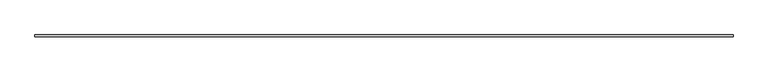
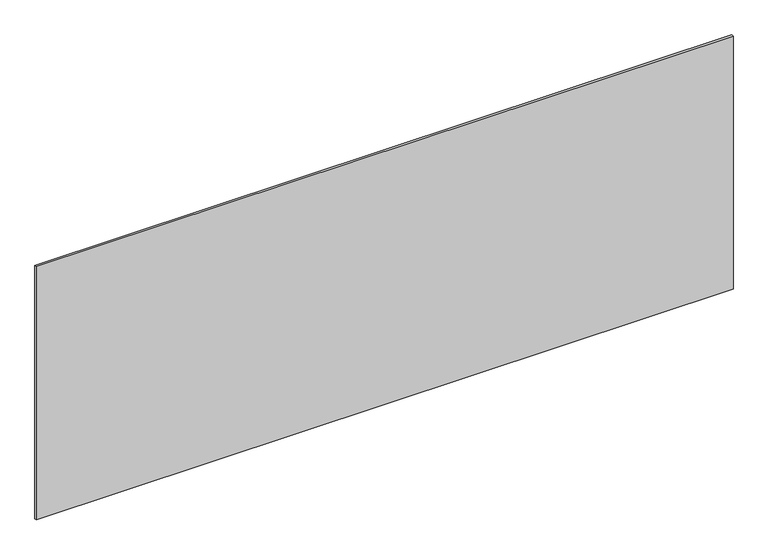
"""IFC4 building model written with IfcOpenShell, lengths in millimetres: plate geometry."""

import ifcopenshell
import ifcopenshell.guid

model = None  # the IFC model being written
_history = None  # IfcOwnerHistory: only IFC2X3 demands one
_inside = {}  # id of a spatial element -> (the spatial element, [elements in it])
_under = {}  # id of a project, library or spatial element -> (it, [spatial elements below it])
_declared = {}  # id of a project -> (the project, [libraries it declares])
_typed = {}  # id of a type object -> (the type object, [elements of that type])
_made_of = {}  # id of a material, layer set ... -> (it, [elements and type objects made of it])


def new_model(schema):
    """Start an empty IFC model of exactly this schema.

    Asked for "IFC4X3", IfcOpenShell would pick the latest addendum, in which some entities
    have other attributes; the version numbers below select the first issue.
    IFC2X3 requires an IfcOwnerHistory on every rooted entity: one is made here for all.
    """
    global model, _history
    if schema == "IFC4X3":
        model = ifcopenshell.file(schema_version=(4, 3, 0, 0))
    else:
        model = ifcopenshell.file(schema=schema)
    _inside.clear()
    _under.clear()
    _declared.clear()
    _typed.clear()
    _made_of.clear()
    _history = None
    if model.schema == "IFC2X3":
        org = make("IfcOrganization", Name="unknown")
        user = make(
            "IfcPersonAndOrganization",
            ThePerson=make("IfcPerson", FamilyName="unknown"),
            TheOrganization=org,
        )
        app = make(
            "IfcApplication",
            ApplicationDeveloper=org,
            Version="unknown",
            ApplicationFullName="unknown",
            ApplicationIdentifier="unknown",
        )
        _history = make(
            "IfcOwnerHistory",
            OwningUser=user,
            OwningApplication=app,
            ChangeAction="ADDED",
            CreationDate=0,
        )
    return model


def make(cls, **values):
    """One entity of the class cls with the attributes given. An attribute that is None is left unset."""
    return model.create_entity(
        cls, **{name: value for name, value in values.items() if value is not None}
    )


def rooted(cls, **values):
    """An entity with a GlobalId (a new one), such as an element, a storey or a relation."""
    return make(cls, GlobalId=ifcopenshell.guid.new(), OwnerHistory=_history, **values)


def si_unit(unit_type, name, prefix=None):
    """IfcSIUnit, for example si_unit("LENGTHUNIT", "METRE", prefix="MILLI")."""
    return make("IfcSIUnit", UnitType=unit_type, Prefix=prefix, Name=name)


def assignment(units):
    """IfcUnitAssignment: the units of a project."""
    return None if units is None else make("IfcUnitAssignment", Units=units)


def point(xyz):
    """IfcCartesianPoint."""
    return None if xyz is None else make("IfcCartesianPoint", Coordinates=xyz)


def direction(xyz):
    """IfcDirection."""
    return None if xyz is None else make("IfcDirection", DirectionRatios=xyz)


def frame(location, z_axis=None, x_axis=None):
    """IfcAxis2Placement3D, a coordinate frame: its origin and axes. An axis left out is left unset."""
    return make(
        "IfcAxis2Placement3D",
        Location=point(location),
        Axis=direction(z_axis),
        RefDirection=direction(x_axis),
    )


def origin():
    """The frame at (0, 0, 0) with its axes left unset."""
    return frame((0.0, 0.0, 0.0))


def origin_with_axes():
    """The frame at (0, 0, 0) with the z axis (0, 0, 1) and the x axis (1, 0, 0) written out."""
    return frame((0.0, 0.0, 0.0), z_axis=(0.0, 0.0, 1.0), x_axis=(1.0, 0.0, 0.0))


def place(relative_to, where):
    """IfcLocalPlacement: puts the frame where relative to a parent placement (None: the world)."""
    return make(
        "IfcLocalPlacement", PlacementRelTo=relative_to, RelativePlacement=where
    )


def context(
    kind, dimensions, precision=None, world=None, true_north=None, identifier=None
):
    """IfcGeometricRepresentationContext, for example the 3D "Model" context."""
    return make(
        "IfcGeometricRepresentationContext",
        ContextIdentifier=identifier,
        ContextType=kind,
        CoordinateSpaceDimension=dimensions,
        Precision=precision,
        WorldCoordinateSystem=world,
        TrueNorth=true_north,
    )


def project(units=None, contexts=None):
    """IfcProject with its units and contexts."""
    return rooted(
        "IfcProject",
        Name="project",
        RepresentationContexts=contexts,
        UnitsInContext=assignment(units),
    )


def spatial(cls, under=None, at=None, **own):
    """A site, building, storey or space (cls), placed at a placement, below another one or the project."""
    s = rooted(cls, ObjectPlacement=at, **own)
    if under is not None:
        _under.setdefault(under.id(), (under, []))[1].append(s)
    return s


def polyline(points):
    """IfcPolyline through the points."""
    return make("IfcPolyline", Points=[point(p) for p in points])


def outline(outer, holes=None, kind="AREA"):
    """IfcArbitraryClosedProfileDef: a profile drawn as a closed curve; with holes, ...WithVoids."""
    if holes is None:
        return make("IfcArbitraryClosedProfileDef", ProfileType=kind, OuterCurve=outer)
    return make(
        "IfcArbitraryProfileDefWithVoids",
        ProfileType=kind,
        OuterCurve=outer,
        InnerCurves=holes,
    )


def extrude(swept, where, along, depth):
    """IfcExtrudedAreaSolid: the profile swept, set in the frame where, extruded along a direction by depth."""
    return make(
        "IfcExtrudedAreaSolid",
        SweptArea=swept,
        Position=where,
        ExtrudedDirection=direction(along),
        Depth=depth,
    )


def shape(context_of_items, identifier, shape_type, items):
    """IfcShapeRepresentation: the items that make up one representation, for example the "Body"."""
    return make(
        "IfcShapeRepresentation",
        ContextOfItems=context_of_items,
        RepresentationIdentifier=identifier,
        RepresentationType=shape_type,
        Items=items,
    )


def source(mapping_origin, context_of_items, identifier, shape_type, items):
    """IfcRepresentationMap: a shape defined once, which mapped items show again and again."""
    return make(
        "IfcRepresentationMap",
        MappingOrigin=mapping_origin,
        MappedRepresentation=shape(context_of_items, identifier, shape_type, items),
    )


def transform(
    local_origin,
    x_axis=None,
    y_axis=None,
    z_axis=None,
    scale=None,
    scale2=None,
    scale3=None,
    uniform=True,
):
    """IfcCartesianTransformationOperator3D, or its non-uniform kind. x_axis, y_axis, z_axis: its Axis1, 2, 3."""
    if uniform:
        return make(
            "IfcCartesianTransformationOperator3D",
            Axis1=direction(x_axis),
            Axis2=direction(y_axis),
            LocalOrigin=point(local_origin),
            Scale=scale,
            Axis3=direction(z_axis),
        )
    return make(
        "IfcCartesianTransformationOperator3DnonUniform",
        Axis1=direction(x_axis),
        Axis2=direction(y_axis),
        LocalOrigin=point(local_origin),
        Scale=scale,
        Axis3=direction(z_axis),
        Scale2=scale2,
        Scale3=scale3,
    )


def mapped(mapping_source, mapping_target):
    """IfcMappedItem: shows the shape of a source again, moved by a transform."""
    return make(
        "IfcMappedItem", MappingSource=mapping_source, MappingTarget=mapping_target
    )


def made_of(thing, what):
    """Note that an element or type object is made of a material, layer set ...; save() writes the relation."""
    if what is not None:
        _made_of.setdefault(what.id(), (what, []))[1].append(thing)
    return thing


def element(
    cls,
    number,
    at=None,
    inside=None,
    cuts=None,
    type_object=None,
    material=None,
    context=None,
    identifier="Body",
    shape_type=None,
    held_by="IfcProductDefinitionShape",
    body=None,
    shapes=None,
    **own,
):
    """One element of the class cls, such as IfcWall. Its Tag is "e" and its number.

    at: its placement. inside: the storey or other place that contains it. cuts: it is an
    opening in that element (IfcRelVoidsElement). A single representation is given by context,
    identifier, shape_type and body (its items); several are given by shapes. held_by: the class
    of the entity that holds the representations. save() writes the other relations.
    """
    e = rooted(cls, Tag="e%d" % number, ObjectPlacement=at, **own)
    if body is not None:
        shapes = [shape(context, identifier, shape_type, body)]
    if shapes is not None:
        e.Representation = make(held_by, Representations=shapes)
    if inside is not None:
        _inside.setdefault(inside.id(), (inside, []))[1].append(e)
    if cuts is not None:
        rooted(
            "IfcRelVoidsElement", RelatingBuildingElement=cuts, RelatedOpeningElement=e
        )
    if type_object is not None:
        _typed.setdefault(type_object.id(), (type_object, []))[1].append(e)
    return made_of(e, material)


def aggregate(whole, parts):
    """IfcRelAggregates: a whole, such as a stair, and the parts it consists of."""
    return rooted("IfcRelAggregates", RelatingObject=whole, RelatedObjects=parts)


def save(model, path):
    """Write the relations noted so far, then the file.

    IfcRelAggregates (storeys below a building ...), IfcRelContainedInSpatialStructure (elements
    in a storey), IfcRelDefinesByType, IfcRelAssociatesMaterial and IfcRelDeclares: one each for
    every whole, place, type object, material and project.
    """
    for whole, parts in _under.values():
        aggregate(whole, parts)
    for where, things in _inside.values():
        rooted(
            "IfcRelContainedInSpatialStructure",
            RelatedElements=things,
            RelatingStructure=where,
        )
    for kind, things in _typed.values():
        rooted("IfcRelDefinesByType", RelatedObjects=things, RelatingType=kind)
    for what, things in _made_of.values():
        rooted("IfcRelAssociatesMaterial", RelatedObjects=things, RelatingMaterial=what)
    for by, libraries in _declared.values():
        rooted("IfcRelDeclares", RelatingContext=by, RelatedDefinitions=libraries)
    model.write(path)


def plate_601ae4c3(model_context):
    return source(origin(), model_context, "Body", "SweptSolid", [
        extrude(outline(polyline([(1715.0, -5.0), (-1715.0, -5.0), (-1715.0, 5.0), (1715.0, 5.0), (1715.0, -5.0)])), origin_with_axes(), (0.0, 0.0, 1.0), 1318.3749289),
    ])


if __name__ == "__main__":
    model = new_model("IFC4")
    model_context = context("Model", 3, world=origin())
    ifc_project = project(units=[si_unit("LENGTHUNIT", "METRE", prefix="MILLI")], contexts=[model_context])
    site = spatial("IfcSite", under=ifc_project)
    building = spatial("IfcBuilding", under=site)
    placement = place(None, origin())
    plate_shape = plate_601ae4c3(model_context)
    element("IfcPlate", 1, at=placement, inside=building, context=model_context, shape_type="MappedRepresentation", body=[
        mapped(plate_shape, transform((0.0, 0.0, 0.0), x_axis=(1.0, 0.0, 0.0), y_axis=(0.0, 1.0, 0.0), z_axis=(0.0, 0.0, 1.0))),
    ])
    save(model, "model.ifc")
